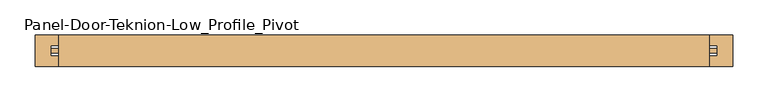
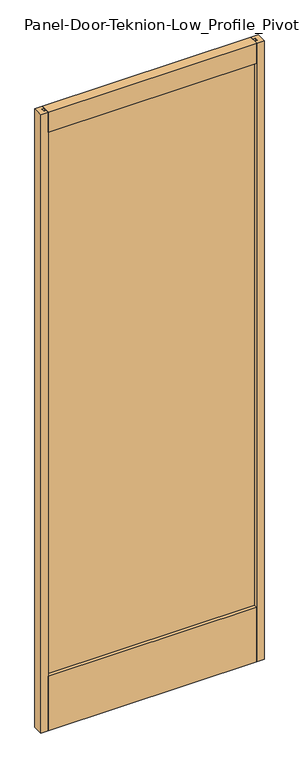
"""IFC4 building model written with IfcOpenShell, lengths in millimetres: door geometry, Panel-Door-Teknion-Low_Profile_Pivot."""

from ifc_helpers import new_model, si_unit, frame, origin, place, context, project, spatial, polyline, outline, extrude, source, transform, mapped, element, save


def panel_door_teknion_low_profile_pivot_77fa765d(model_context):
    return source(origin(), model_context, "Body", "SweptSolid", [
        extrude(outline(polyline([(472.4201563, 2.8575), (472.4201563, -2.8575), (-472.4201562, -2.8575), (-472.4201562, 2.8575), (472.4201563, 2.8575)])), frame((0.0, 0.0, 95.25), z_axis=(0.0, 0.0, 1.0), x_axis=(1.0, 0.0, 0.0)), (0.0, 0.0, 1.0), 2727.1143997),
        extrude(outline(polyline([(-22.225, 12.7), (-22.225, 266.7), (-6.731, 266.7), (-6.731, 255.27), (6.731, 255.27), (6.731, 266.7), (22.225, 266.7), (22.225, 12.7), (-22.225, 12.7)])), frame((-460.9901562, 0.0, 0.0), z_axis=(1.0, 0.0, 0.0), x_axis=(0.0, 1.0, 0.0)), (0.0, 0.0, 1.0), 921.9803125),
        extrude(outline(polyline([(-22.225, 2904.9143997), (22.225, 2904.9143997), (22.225, 2810.9343997), (6.731, 2810.9343997), (6.731, 2822.3643997), (-6.731, 2822.3643997), (-6.731, 2810.9343997), (-22.225, 2810.9343997), (-22.225, 2904.9143997)])), frame((-460.9901562, 0.0, 0.0), z_axis=(1.0, 0.0, 0.0), x_axis=(0.0, 1.0, 0.0)), (0.0, 0.0, 1.0), 921.9803125),
        extrude(outline(polyline([(-494.0101562, 22.225), (-460.9901562, 22.225), (-460.9901562, 7.239), (-472.4201562, 7.239), (-472.4201562, -7.239), (-460.9901562, -7.239), (-460.9901562, -22.225), (-494.0101562, -22.225), (-494.0101562, 22.225)])), frame((0.0, 0.0, 12.7), z_axis=(0.0, 0.0, 1.0), x_axis=(1.0, 0.0, 0.0)), (0.0, 0.0, 1.0), 2892.2143997),
        extrude(outline(polyline([(494.0101563, 22.225), (494.0101563, -22.225), (460.9901563, -22.225), (460.9901563, -7.239), (472.4201563, -7.239), (472.4201563, 7.239), (460.9901563, 7.239), (460.9901563, 22.225), (494.0101563, 22.225)])), frame((0.0, 0.0, 12.7), z_axis=(0.0, 0.0, 1.0), x_axis=(1.0, 0.0, 0.0)), (0.0, 0.0, 1.0), 2892.2143997),
    ])


if __name__ == "__main__":
    model = new_model("IFC4")
    model_context = context("Model", 3, world=origin())
    ifc_project = project(units=[si_unit("LENGTHUNIT", "METRE", prefix="MILLI")], contexts=[model_context])
    site = spatial("IfcSite", under=ifc_project)
    building = spatial("IfcBuilding", under=site)
    placement = place(None, origin())
    panel_door_teknion_low_profile_pivot_shape = panel_door_teknion_low_profile_pivot_77fa765d(model_context)
    element("IfcDoor", 1, ObjectType="Panel-Door-Teknion-Low_Profile_Pivot", at=placement, inside=building, context=model_context, shape_type="MappedRepresentation", body=[
        mapped(panel_door_teknion_low_profile_pivot_shape, transform((0.0, 0.0, 0.0), x_axis=(1.0, 0.0, 0.0), y_axis=(0.0, 1.0, 0.0), z_axis=(0.0, 0.0, 1.0))),
    ])
    save(model, "model.ifc")
